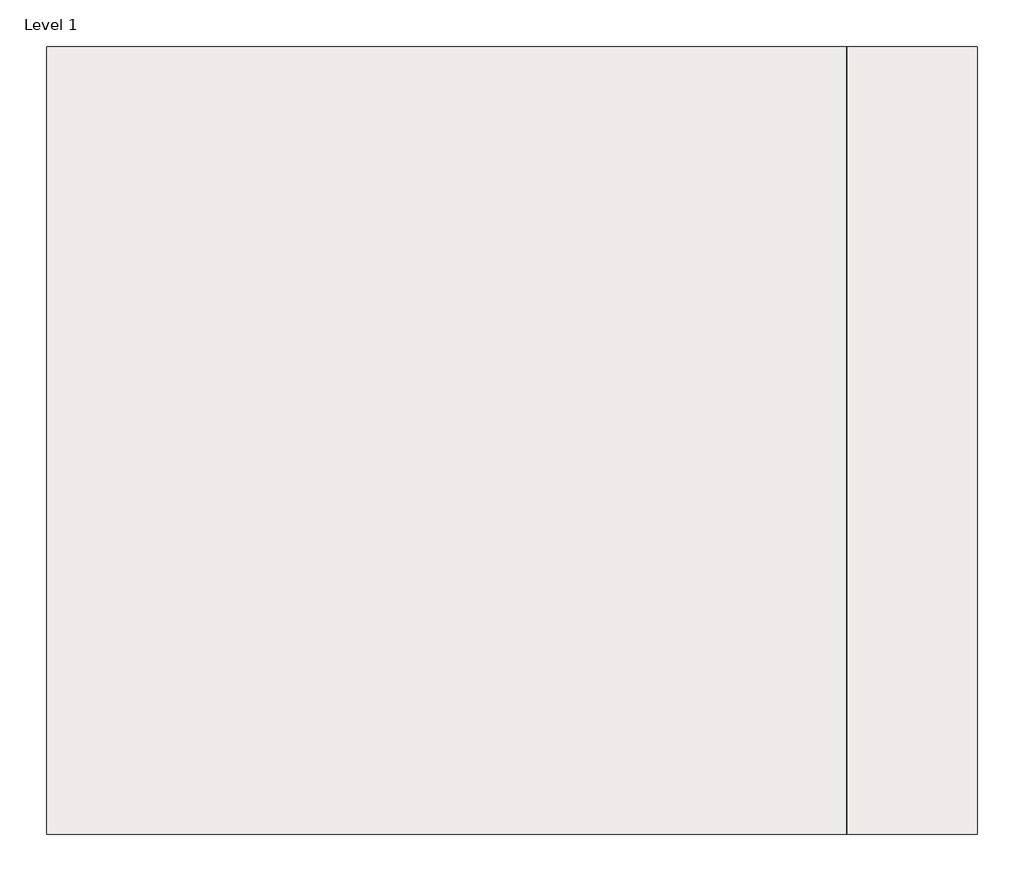
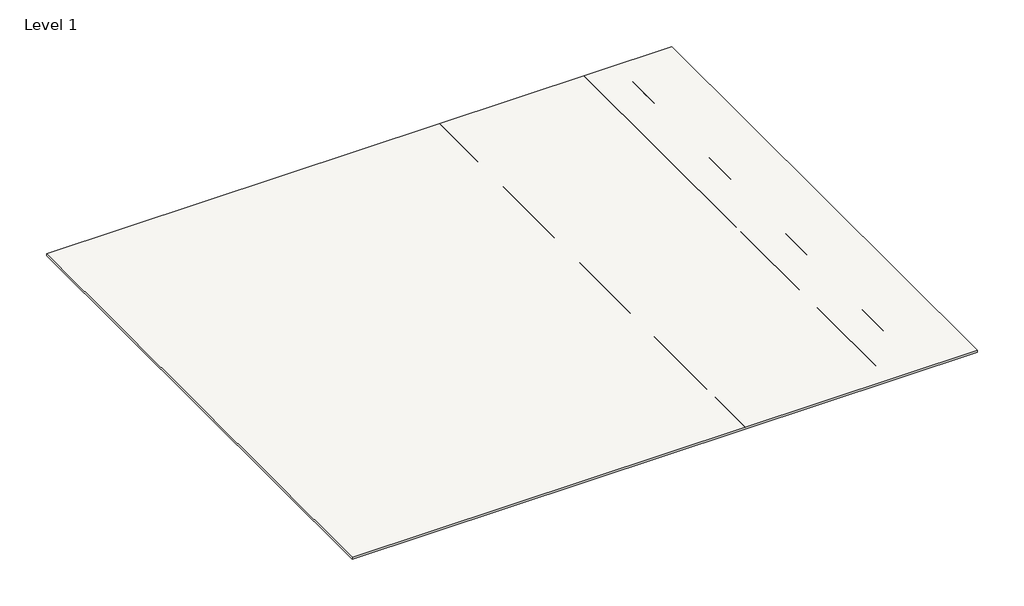
# One storey, part 1 of 2: 1 slab.
"""IFC4 building model written with IfcOpenShell, lengths in millimetres."""

from ifc_helpers import new_model, si_unit, frame, origin, place, context, project, spatial, polyline, outline, extrude, element, save

model = new_model("IFC4")

# Units and contexts
model_context = context("Model", 3, world=origin())
ifc_project = project(units=[si_unit("LENGTHUNIT", "METRE", prefix="MILLI")], contexts=[model_context])

# Site, building, storey
site = spatial("IfcSite", under=ifc_project)
building = spatial("IfcBuilding", under=site)
storey = spatial("IfcBuildingStorey", under=building, Name="Level 1", Elevation=0.0)

# Slab
placement = place(None, origin())
element("IfcSlab", 1, ObjectType="150mm Foundation Slab", at=placement, inside=storey, context=model_context, shape_type="SweptSolid", body=[
    extrude(outline(polyline([(21344.2819226, 15427.9234902), (21344.2819226, -17572.0765098), (-17655.7180774, -17572.0765098), (-17655.7180774, 15427.9234902), (21344.2819226, 15427.9234902)])), frame((0.0, 0.0, 550.0), z_axis=(0.0, 0.0, 1.0), x_axis=(1.0, 0.0, 0.0)), (0.0, 0.0, 1.0), 150.0),
])

save(model, "model.ifc")
